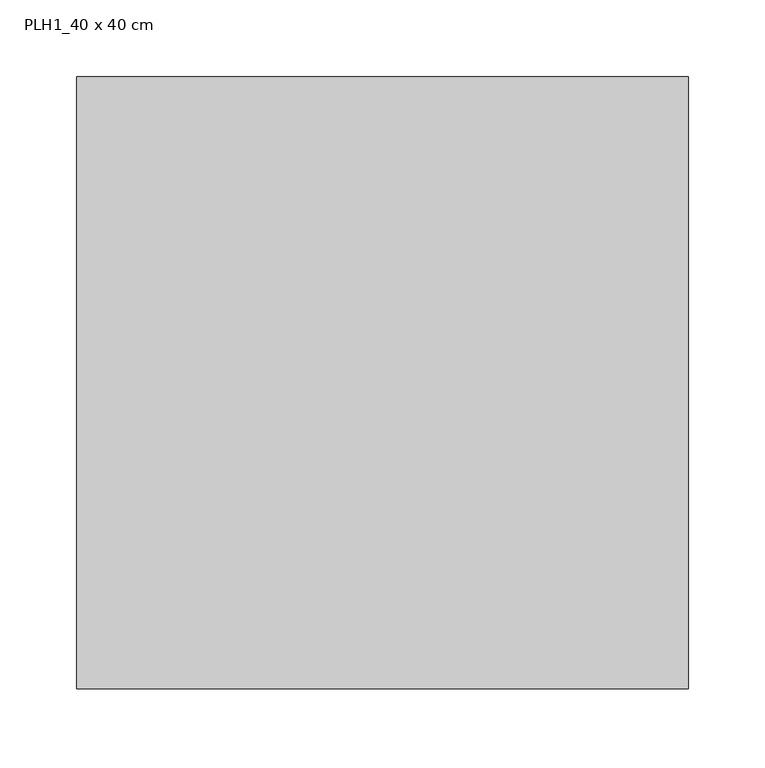
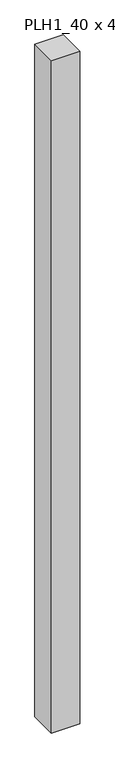
"""IFC4 building model written with IfcOpenShell, lengths in millimetres: column geometry, PLH1_40 x 40 cm."""

from ifc_helpers import new_model, si_unit, origin, origin_with_axes, place, context, project, spatial, polyline, outline, extrude, source, transform, mapped, element, save


def plh1_40_x_40_cm_2c53f8ca(model_context):
    return source(origin(), model_context, "Body", "SweptSolid", [
        extrude(outline(polyline([(200.0, 200.0), (200.0, -200.0), (-200.0, -200.0), (-200.0, 200.0), (200.0, 200.0)])), origin_with_axes(), (0.0, 0.0, 1.0), 10030.0),
    ])


if __name__ == "__main__":
    model = new_model("IFC4")
    model_context = context("Model", 3, world=origin())
    ifc_project = project(units=[si_unit("LENGTHUNIT", "METRE", prefix="MILLI")], contexts=[model_context])
    site = spatial("IfcSite", under=ifc_project)
    building = spatial("IfcBuilding", under=site)
    placement = place(None, origin())
    plh1_40_x_40_cm_shape = plh1_40_x_40_cm_2c53f8ca(model_context)
    element("IfcColumn", 1, ObjectType="PLH1_40 x 40 cm", at=placement, inside=building, context=model_context, shape_type="MappedRepresentation", body=[
        mapped(plh1_40_x_40_cm_shape, transform((0.0, 0.0, 0.0), x_axis=(1.0, 0.0, 0.0), y_axis=(0.0, 1.0, 0.0), z_axis=(0.0, 0.0, 1.0))),
    ])
    save(model, "model.ifc")
